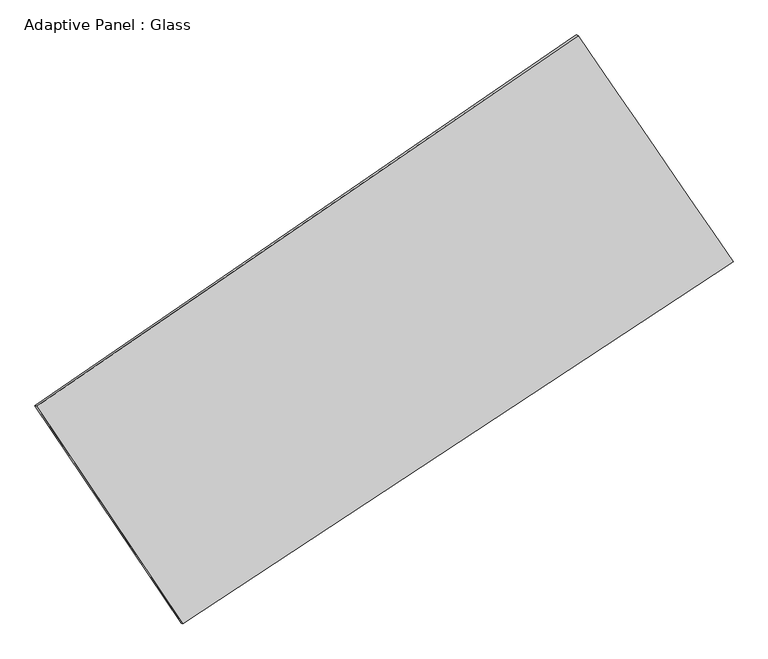
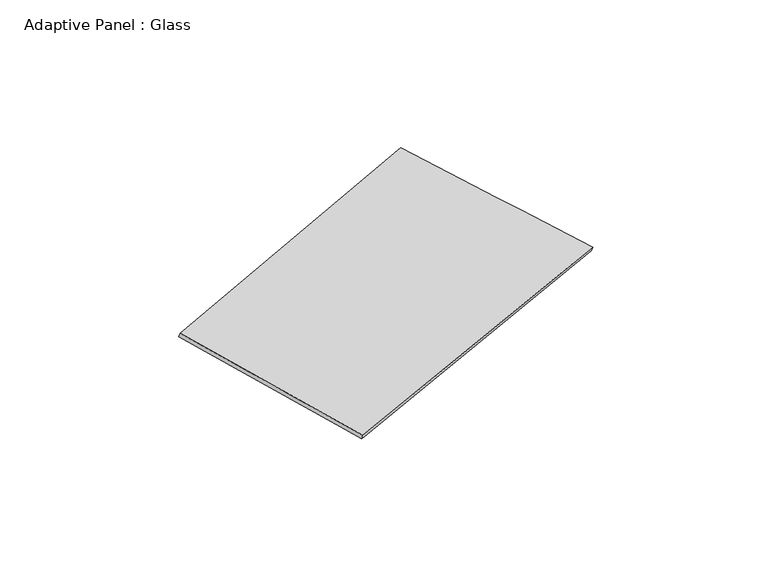
"""IFC4 building model written with IfcOpenShell, lengths in millimetres: plate geometry, Adaptive Panel : Glass."""

from ifc_helpers import new_model, si_unit, frame, origin, place, context, project, spatial, source, transform, mapped, element, save
from ifc_brep_helpers import plane_surface, spline_surface, advanced_brep


def adaptive_panel_glass_3a297b3e(model_context):
    return source(origin(), model_context, "Body", "AdvancedBrep", [
        advanced_brep(
        [(1076.4759606, 2517.5074927, 666.7462107), (-3708.3676276, -758.8375254, 1752.2671031), (-3693.7012717, -765.2176189, 1799.6400111), (1091.1423165, 2511.1273992, 714.1191188), (-2417.010465, -2678.9250325, 1047.6766496), (-2402.3441092, -2685.305126, 1095.0495576), (2445.6115538, 520.0064924, 18.4325568), (2460.2779096, 513.6263989, 65.8054648)],
        [
            (0, 1),
            (1, 2),
            (2, 3),
            (3, 0),
            (1, 4),
            (4, 5),
            (5, 2),
            (4, 6),
            (6, 7),
            (7, 5),
            (6, 0),
            (3, 7),
        ],
        [
            plane_surface(frame((-1315.9458335, 879.3349837, 1209.5066569), z_axis=(-0.5026898034595499, 0.8223989284602038, 0.26638874594342055), x_axis=(-0.8110193240529193, -0.5553324937274129, 0.18399314504415407))),
            plane_surface(frame((-3062.6890463, -1718.881279, 1399.9718763), z_axis=(-0.7893958687649918, -0.5913647028160518, 0.16474814305492658), x_axis=(0.533874563655514, -0.7938050833474452, -0.29129270490932335))),
            plane_surface(frame((14.3005444, -1079.4592701, 533.0546032), z_axis=(0.49055884333715866, -0.8305412008908755, -0.2637296624319144), x_axis=(0.8226668229233169, 0.5412007810178953, -0.17412929990922288))),
            plane_surface(frame((1761.0437572, 1518.7569925, 342.5893838), z_axis=(0.7880278731029442, 0.5933789437416059, -0.16405334600960295), x_axis=(-0.54613359782379, 0.7967818624986086, 0.2586054077572458))),
            spline_surface(1, 1, [[(-3693.7012717, -765.2176189, 1799.6400111), (1091.1423165, 2511.1273992, 714.1191188)], [(-2402.3441092, -2685.305126, 1095.0495576), (2460.2779096, 513.6263989, 65.8054648)]], [2, 2], [2, 2], [0.0, 1.0], [0.0, 1.0]),
            spline_surface(1, 1, [[(2445.6115538, 520.0064924, 18.4325568), (1076.4759606, 2517.5074927, 666.7462107)], [(-2417.010465, -2678.9250325, 1047.6766496), (-3708.3676276, -758.8375254, 1752.2671031)]], [2, 2], [2, 2], [0.0, 1.0], [0.0, 1.0]),
        ],
        [
            (0, [[1, 2, 3, 4]]),
            (1, [[5, 6, 7, -2]]),
            (2, [[8, 9, 10, -6]]),
            (3, [[11, -4, 12, -9]]),
            (4, [[-3, -7, -10, -12]]),
            (5, [[-11, -8, -5, -1]]),
        ],
    ),
    ])


if __name__ == "__main__":
    model = new_model("IFC4")
    model_context = context("Model", 3, world=origin())
    ifc_project = project(units=[si_unit("LENGTHUNIT", "METRE", prefix="MILLI")], contexts=[model_context])
    site = spatial("IfcSite", under=ifc_project)
    building = spatial("IfcBuilding", under=site)
    placement = place(None, origin())
    adaptive_panel_glass_shape = adaptive_panel_glass_3a297b3e(model_context)
    element("IfcPlate", 1, ObjectType="Adaptive Panel : Glass", at=placement, inside=building, context=model_context, shape_type="MappedRepresentation", body=[
        mapped(adaptive_panel_glass_shape, transform((0.0, 0.0, 0.0), x_axis=(1.0, 0.0, 0.0), y_axis=(0.0, 1.0, 0.0), z_axis=(0.0, 0.0, 1.0))),
    ])
    save(model, "model.ifc")
